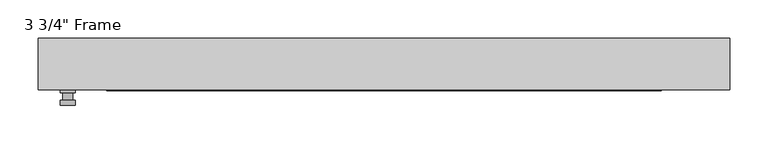
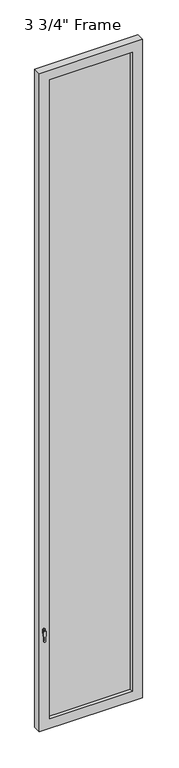
"""IFC4 building model written with IfcOpenShell, lengths in millimetres: plate geometry."""

from ifc_helpers import new_model, si_unit, frame, origin, place, context, project, spatial, polyline, circle_curve, outline, extrude, faceted_brep, source, transform, mapped, element, save
from ifc_brep_helpers import plane_surface, cylinder_surface, advanced_brep


def plate_338d5823(model_context):
    return source(origin(), model_context, "Body", "SolidModel", [
        advanced_brep(
        [(-401.6375, -33.3375, 927.1), (-401.6375, -33.3375, 901.7), (-420.6875, -33.3375, 901.7), (-420.6875, -33.3375, 927.1), (-404.8125, -46.0375, 914.4), (-417.5125, -46.0375, 914.4), (-417.5125, -36.5125, 914.4), (-404.8125, -36.5125, 914.4), (-401.6375, -46.0375, 914.4), (-404.8165356, -46.0375, 825.2736467), (-417.5084644, -46.0375, 825.2736467), (-420.6875, -46.0375, 914.4), (-401.6375, -52.3875, 914.4), (-420.6875, -52.3875, 914.4), (-417.5084644, -52.3875, 825.2736467), (-404.8165356, -52.3875, 825.2736467), (-401.6375, -36.5125, 927.1), (-420.6875, -36.5125, 927.1), (-420.6875, -36.5125, 901.7), (-401.6375, -36.5125, 901.7)],
        [
            (0, 1),
            (1, 2, circle_curve(frame((-411.1625, -33.3375, 901.7), z_axis=(0.0, 1.0, 0.0), x_axis=(-1.0, 0.0, 0.0)), 9.525)),
            (2, 3),
            (3, 0, circle_curve(frame((-411.1625, -33.3375, 927.1), z_axis=(0.0, 1.0, 0.0), x_axis=(-1.0, 0.0, 0.0)), 9.525)),
            (4, 5, circle_curve(frame((-411.1625, -46.0375, 914.4), z_axis=(0.0, 1.0, 0.0), x_axis=(-1.0, 0.0, 0.0)), 6.35)),
            (5, 6),
            (6, 7, circle_curve(frame((-411.1625, -36.5125, 914.4), z_axis=(0.0, -1.0, 0.0), x_axis=(-1.0, 0.0, 0.0)), 6.35)),
            (7, 4),
            (5, 4, circle_curve(frame((-411.1625, -46.0375, 914.4), z_axis=(0.0, 1.0, 0.0), x_axis=(-1.0, 0.0, 0.0)), 6.35)),
            (7, 6, circle_curve(frame((-411.1625, -36.5125, 914.4), z_axis=(0.0, -1.0, 0.0), x_axis=(-1.0, 0.0, 0.0)), 6.35)),
            (8, 9),
            (9, 10, circle_curve(frame((-411.1625, -46.0375, 825.5), z_axis=(0.0, 1.0, 0.0), x_axis=(-1.0, 0.0, 0.0)), 6.35)),
            (10, 11),
            (11, 8, circle_curve(frame((-411.1625, -46.0375, 914.4), z_axis=(0.0, 1.0, 0.0), x_axis=(-1.0, 0.0, 0.0)), 9.525)),
            (12, 13, circle_curve(frame((-411.1625, -52.3875, 914.4), z_axis=(0.0, -1.0, 0.0), x_axis=(-1.0, 0.0, 0.0)), 9.525)),
            (13, 14),
            (14, 15, circle_curve(frame((-411.1625, -52.3875, 825.5), z_axis=(0.0, -1.0, 0.0), x_axis=(-1.0, 0.0, 0.0)), 6.35)),
            (15, 12),
            (8, 12),
            (15, 9),
            (14, 10),
            (13, 11),
            (16, 17, circle_curve(frame((-411.1625, -36.5125, 927.1), z_axis=(0.0, -1.0, 0.0), x_axis=(-1.0, 0.0, 0.0)), 9.525)),
            (17, 18),
            (18, 19, circle_curve(frame((-411.1625, -36.5125, 901.7), z_axis=(0.0, -1.0, 0.0), x_axis=(-1.0, 0.0, 0.0)), 9.525)),
            (19, 16),
            (0, 16),
            (19, 1),
            (18, 2),
            (17, 3),
        ],
        [
            plane_surface(frame((-417.5125, -33.3375, 914.4), z_axis=(0.0, 1.0, 0.0), x_axis=(0.0, 0.0, 1.0))),
            cylinder_surface(frame((-411.1625, -46.0375, 914.4), z_axis=(0.0, 1.0, 0.0), x_axis=(-1.0, 0.0, 0.0)), 6.35),
            plane_surface(frame((-401.6375, -46.0375, 914.4), z_axis=(0.0, 1.0000000000000002, 0.0), x_axis=(-0.03564619348186888, 0.0, -0.9993644724975235))),
            plane_surface(frame((-401.6375, -52.3875, 914.4), z_axis=(0.0, -1.0000000000000002, 0.0), x_axis=(0.03564619348186888, 0.0, 0.9993644724975235))),
            plane_surface(frame((-401.6375, -46.0375, 914.4), z_axis=(0.9993644724975235, 0.0, -0.03564619348186888), x_axis=(0.0, -1.0, 0.0))),
            cylinder_surface(frame((-411.1625, -52.3875, 825.5), z_axis=(0.0, 1.0, 0.0), x_axis=(-1.0, 0.0, 0.0)), 6.35),
            plane_surface(frame((-417.5084644, -46.0375, 825.2736467), z_axis=(-0.9993644724975228, 0.0, -0.03564619348188612), x_axis=(0.0, -1.0, 0.0))),
            cylinder_surface(frame((-411.1625, -52.3875, 914.4), z_axis=(0.0, 1.0, 0.0), x_axis=(-1.0, 0.0, 0.0)), 9.525),
            plane_surface(frame((-401.6375, -36.5125, 901.7), z_axis=(0.0, -1.0, 0.0), x_axis=(0.0, 0.0, 1.0))),
            plane_surface(frame((-401.6375, -33.3375, 927.1), z_axis=(1.0, 0.0, 0.0), x_axis=(0.0, -1.0, 0.0))),
            cylinder_surface(frame((-411.1625, -36.5125, 901.7), z_axis=(0.0, 1.0, 0.0), x_axis=(-1.0, 0.0, 0.0)), 9.525),
            plane_surface(frame((-420.6875, -33.3375, 901.7), z_axis=(-1.0, 0.0, 0.0), x_axis=(0.0, -1.0, 0.0))),
            cylinder_surface(frame((-411.1625, -36.5125, 927.1), z_axis=(0.0, 1.0, 0.0), x_axis=(-1.0, 0.0, 0.0)), 9.525),
        ],
        [
            (0, [[1, 2, 3, 4]]),
            (1, [[5, 6, 7, 8]]),
            (1, [[9, -8, 10, -6]]),
            (2, [[11, 12, 13, 14], [-5, -9]]),
            (3, [[15, 16, 17, 18]]),
            (4, [[-11, 19, -18, 20]]),
            (5, [[-12, -20, -17, 21]]),
            (6, [[-13, -21, -16, 22]]),
            (7, [[-14, -22, -15, -19]]),
            (8, [[23, 24, 25, 26], [-7, -10]]),
            (9, [[-1, 27, -26, 28]]),
            (10, [[-2, -28, -25, 29]]),
            (11, [[-3, -29, -24, 30]]),
            (12, [[-4, -30, -23, -27]]),
        ],
    ),
        faceted_brep([(-449.2625, -33.3375, 0.0), (-449.2625, 33.3375, 0.0), (449.2625, 33.3375, 0.0), (449.2625, -33.3375, 0.0), (449.2625, -33.3375, 6038.85), (-449.2625, -33.3375, 6038.85), (-360.3625, -33.3375, 5949.95), (360.3625, -33.3375, 5949.95), (360.3625, -33.3375, 88.9), (-360.3625, -33.3375, 88.9), (-449.2625, 33.3375, 6038.85), (449.2625, 33.3375, 6038.85), (-360.3625, 33.3375, 5949.95), (-360.3625, 33.3375, 88.9), (360.3625, 33.3375, 88.9), (360.3625, 33.3375, 5949.95), (-354.0125, 11.90625, 5943.6), (-354.0125, 11.90625, 95.25), (366.7125, 11.90625, 5956.3), (-366.7125, 11.90625, 5956.3), (-366.7125, 11.90625, 82.55), (366.7125, 11.90625, 82.55), (354.0125, 11.90625, 5943.6), (354.0125, 11.90625, 95.25), (-366.7125, -11.90625, 5956.3), (-366.7125, -11.90625, 82.55), (366.7125, -11.90625, 5956.3), (366.7125, -11.90625, 82.55), (-354.0125, -11.90625, 5943.6), (-354.0125, -11.90625, 95.25), (354.0125, -11.90625, 95.25), (354.0125, -11.90625, 5943.6)], [[[0, 1, 2, 3]], [[0, 3, 4, 5], [6, 7, 8, 9]], [[1, 0, 5, 10]], [[2, 1, 10, 11], [12, 13, 14, 15]], [[12, 16, 17, 13]], [[18, 19, 20, 21], [16, 22, 23, 17]], [[20, 19, 24, 25]], [[24, 26, 27, 25], [28, 29, 30, 31]], [[28, 6, 9, 29]], [[5, 4, 11, 10]], [[12, 15, 22, 16]], [[19, 18, 26, 24]], [[7, 6, 28, 31]], [[4, 3, 2, 11]], [[22, 15, 14, 23]], [[27, 26, 18, 21]], [[7, 31, 30, 8]], [[9, 8, 30, 29]], [[21, 20, 25, 27]], [[17, 23, 14, 13]]]),
        extrude(outline(polyline([(366.7125, -11.90625), (-366.7125, -11.90625), (-366.7125, 11.90625), (366.7125, 11.90625), (366.7125, -11.90625)])), frame((0.0, 0.0, 82.55), z_axis=(0.0, 0.0, 1.0), x_axis=(1.0, 0.0, 0.0)), (0.0, 0.0, 1.0), 5873.75),
    ])


if __name__ == "__main__":
    model = new_model("IFC4")
    model_context = context("Model", 3, world=origin())
    ifc_project = project(units=[si_unit("LENGTHUNIT", "METRE", prefix="MILLI")], contexts=[model_context])
    site = spatial("IfcSite", under=ifc_project)
    building = spatial("IfcBuilding", under=site)
    placement = place(None, origin())
    plate_shape = plate_338d5823(model_context)
    element("IfcPlate", 1, ObjectType="3 3/4\" Frame", at=placement, inside=building, context=model_context, shape_type="MappedRepresentation", body=[
        mapped(plate_shape, transform((0.0, 0.0, 0.0), x_axis=(1.0, 0.0, 0.0), y_axis=(0.0, 1.0, 0.0), z_axis=(0.0, 0.0, 1.0))),
    ])
    save(model, "model.ifc")
